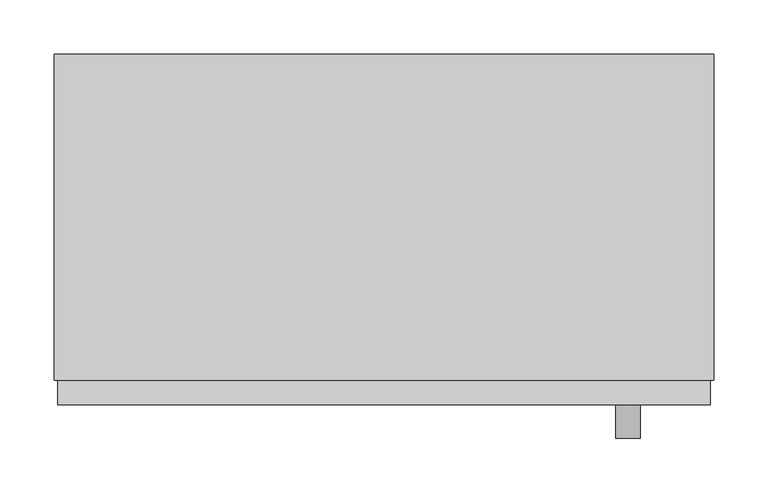
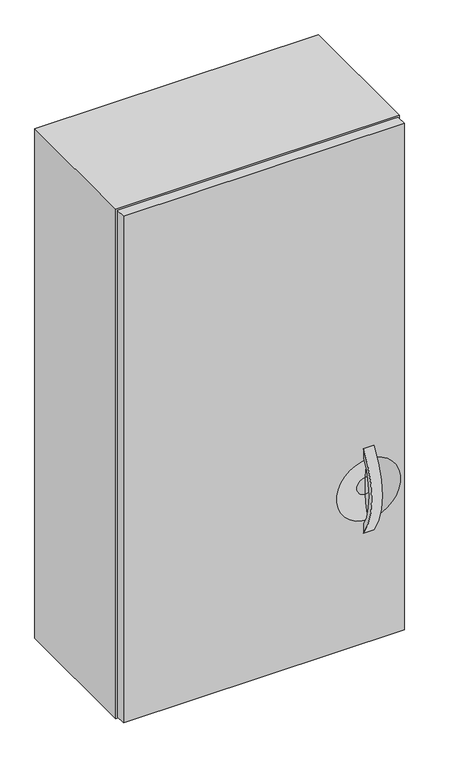
"""IFC4 building model written with IfcOpenShell, lengths in millimetres: furniture geometry."""

from ifc_helpers import new_model, si_unit, point, frame, frame_2d, origin, place, context, project, spatial, polyline, circle_curve, ellipse_curve, trimmed, segment, composite_curve, outline, extrude, source, transform, mapped, element, save
from ifc_brep_helpers import plane_surface, revolved_surface, advanced_brep


def furniture_0c77e74f(model_context):
    return source(origin(), model_context, "Body", "SolidModel", [
        extrude(outline(composite_curve([segment(trimmed(circle_curve(frame_2d((-190.9255705, 1312.8960115)), 164.0076795), [point((-323.977, 1217.0010896))], [point((-323.977, 1408.7909333))], False, "CARTESIAN"), True, "CONTINUOUS"), segment(polyline([(-323.977, 1408.7909333), (-323.977, 1390.1310792)]), True, "CONTINUOUS"), segment(trimmed(circle_curve(frame_2d((-192.7296017, 1312.8976127)), 152.2855473), [point((-323.977, 1390.1310792))], [point((-323.977, 1235.6641461))], True, "CARTESIAN"), True, "CONTINUOUS"), segment(polyline([(-323.977, 1235.6641461), (-323.977, 1217.0010896)]), True, "CONTINUOUS")], self_intersect=False)), frame((233.0502049, 0.0, 0.0), z_axis=(1.0, 0.0, 0.0), x_axis=(0.0, 1.0, 0.0)), (0.0, 0.0, 1.0), 22.225),
        advanced_brep(
        [(-282.8872951, -301.2559062, 2116.1375), (-282.8872951, -323.977, 2116.1375), (320.3627049, -323.977, 2116.1375), (320.3627049, -301.2559062, 2116.1375), (-282.8872951, -301.2559062, 966.8637), (320.3627049, -301.2559062, 966.8637), (320.3627049, -323.977, 966.8637), (-282.8872951, -323.977, 966.8637), (244.1627049, -323.977, 1381.4731846), (244.1627049, -323.977, 1244.3188383), (244.1627049, -311.3273482, 1293.8482279), (244.1627049, -311.3273482, 1331.943795), (244.1627049, -311.3273482, 1312.8960115)],
        [
            (0, 1),
            (1, 2),
            (2, 3),
            (3, 0),
            (4, 5),
            (5, 6),
            (6, 7),
            (7, 4),
            (0, 4),
            (7, 1),
            (6, 2),
            (8, 9, circle_curve(frame((244.1627049, -323.977, 1312.8960115), z_axis=(0.0, 1.0, 0.0), x_axis=(0.0, 0.0, 1.0)), 68.5771731)),
            (9, 8, circle_curve(frame((244.1627049, -323.977, 1312.8960115), z_axis=(0.0, 1.0, 0.0), x_axis=(0.0, 0.0, 1.0)), 68.5771731)),
            (5, 3),
            (10, 9, circle_curve(frame((244.1627049, -432.1044866, 1298.3142972), z_axis=(-1.0, 0.0, 0.0), x_axis=(0.0, -1.0, 0.0)), 120.8596829)),
            (8, 11, circle_curve(frame((244.1627049, -432.1044866, 1327.4777257), z_axis=(-1.0, 0.0, 0.0), x_axis=(0.0, -1.0, 0.0)), 120.8596829)),
            (11, 10, circle_curve(frame((244.1627049, -311.3273482, 1312.8960115), z_axis=(0.0, 1.0, 0.0), x_axis=(0.0, 0.0, 1.0)), 19.0477836)),
            (10, 11, circle_curve(frame((244.1627049, -311.3273482, 1312.8960115), z_axis=(0.0, 1.0, 0.0), x_axis=(0.0, 0.0, 1.0)), 19.0477836)),
            (11, 12),
            (12, 10),
        ],
        [
            plane_surface(frame((-282.8872951, -323.977, 2116.1375), z_axis=(0.0, 0.0, 1.0), x_axis=(0.0, -1.0, 0.0))),
            plane_surface(frame((-282.8872951, -323.977, 966.8637), z_axis=(0.0, 0.0, -1.0), x_axis=(0.0, 1.0, 0.0))),
            plane_surface(frame((-282.8872951, -301.2559062, 2116.1375), z_axis=(-1.0, 0.0, 0.0), x_axis=(0.0, 0.0, -1.0))),
            plane_surface(frame((-282.8872951, -323.977, 2116.1375), z_axis=(0.0, -1.0, 0.0), x_axis=(0.0, 0.0, -1.0))),
            plane_surface(frame((320.3627049, -323.977, 2116.1375), z_axis=(1.0, 0.0, 0.0), x_axis=(0.0, 0.0, -1.0))),
            plane_surface(frame((320.3627049, -301.2559062, 2116.1375), z_axis=(0.0, 1.0, 0.0), x_axis=(0.0, 0.0, -1.0))),
            revolved_surface(trimmed(ellipse_curve(frame((244.1627049, -432.1044866, 1327.4777257), z_axis=(1.0, 0.0, 0.0), x_axis=(0.0, -1.0, 0.0)), 120.8596829, 120.8596829), [point((244.1627049, -311.3273482, 1331.943795))], [point((244.1627049, -323.977, 1381.4731846))], True, "CARTESIAN"), (244.1627049, -311.3273482, 1312.8960115), (0.0, 1.0, 0.0)),
            plane_surface(frame((244.1627049, -311.3273482, 1312.8960115), z_axis=(0.0, -1.0, 0.0), x_axis=(0.0, 0.0, 1.0))),
        ],
        [
            (0, [[1, 2, 3, 4]]),
            (1, [[5, 6, 7, 8]]),
            (2, [[-1, 9, -8, 10]]),
            (3, [[-2, -10, -7, 11], [12, 13]]),
            (4, [[-3, -11, -6, 14]]),
            (5, [[-4, -14, -5, -9]]),
            (6, [[15, -12, 16, 17]]),
            (6, [[-15, 18, -16, -13]]),
            (7, [[-17, 19, 20]]),
            (7, [[-18, -20, -19]]),
        ],
    ),
        extrude(outline(polyline([(-286.0622951, 0.0), (323.5377049, 0.0), (323.5377049, -301.2559062), (-286.0622951, -301.2559062), (-286.0622951, 0.0)])), frame((0.0, 0.0, 963.6887), z_axis=(0.0, 0.0, 1.0), x_axis=(1.0, 0.0, 0.0)), (0.0, 0.0, 1.0), 1155.6238),
    ])


if __name__ == "__main__":
    model = new_model("IFC4")
    model_context = context("Model", 3, world=origin())
    ifc_project = project(units=[si_unit("LENGTHUNIT", "METRE", prefix="MILLI")], contexts=[model_context])
    site = spatial("IfcSite", under=ifc_project)
    building = spatial("IfcBuilding", under=site)
    placement = place(None, origin())
    furniture_shape = furniture_0c77e74f(model_context)
    element("IfcFurniture", 1, at=placement, inside=building, context=model_context, shape_type="MappedRepresentation", body=[
        mapped(furniture_shape, transform((0.0, 0.0, 0.0), x_axis=(1.0, 0.0, 0.0), y_axis=(0.0, 1.0, 0.0), z_axis=(0.0, 0.0, 1.0))),
    ])
    save(model, "model.ifc")
